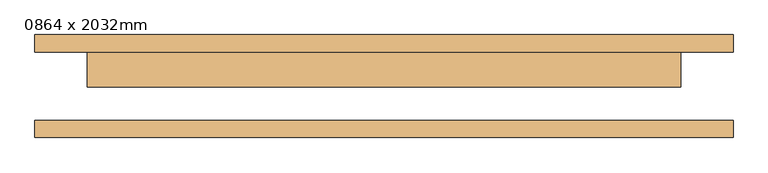
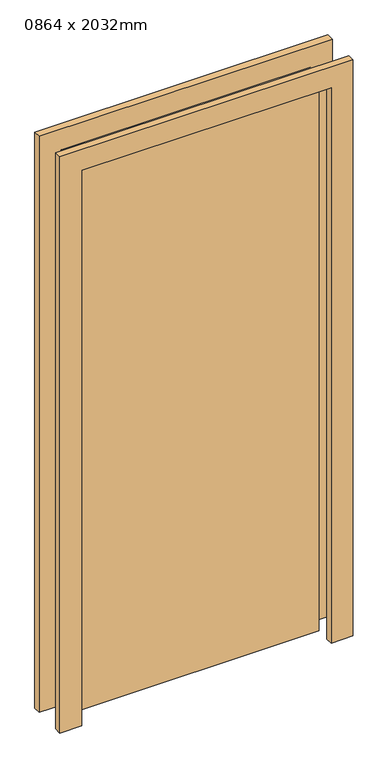
"""IFC4 building model written with IfcOpenShell, lengths in millimetres: door geometry, 0864 x 2032mm."""

from ifc_helpers import new_model, si_unit, frame, origin, origin_with_axes, place, context, project, spatial, polyline, outline, extrude, source, transform, mapped, element, save


def door_0864_x_2032mm_252f296b(model_context):
    return source(origin(), model_context, "Body", "SweptSolid", [
        extrude(outline(polyline([(2108.0, -508.0), (0.0, -508.0), (0.0, -432.0), (2032.0, -432.0), (2032.0, 432.0), (0.0, 432.0), (0.0, 508.0), (2108.0, 508.0), (2108.0, -508.0)])), frame((0.0, 50.0, 0.0), z_axis=(0.0, 1.0, 0.0), x_axis=(0.0, 0.0, 1.0)), (0.0, 0.0, 1.0), 25.0),
        extrude(outline(polyline([(2108.0, 508.0), (2108.0, -508.0), (0.0, -508.0), (0.0, -432.0), (2032.0, -432.0), (2032.0, 432.0), (0.0, 432.0), (0.0, 508.0), (2108.0, 508.0)])), frame((0.0, -75.0, 0.0), z_axis=(0.0, 1.0, 0.0), x_axis=(0.0, 0.0, 1.0)), (0.0, 0.0, 1.0), 25.0),
        extrude(outline(polyline([(432.0, -1.0), (-432.0, -1.0), (-432.0, 50.0), (432.0, 50.0), (432.0, -1.0)])), origin_with_axes(), (0.0, 0.0, 1.0), 2032.0),
    ])


if __name__ == "__main__":
    model = new_model("IFC4")
    model_context = context("Model", 3, world=origin())
    ifc_project = project(units=[si_unit("LENGTHUNIT", "METRE", prefix="MILLI")], contexts=[model_context])
    site = spatial("IfcSite", under=ifc_project)
    building = spatial("IfcBuilding", under=site)
    placement = place(None, origin())
    door_0864_x_2032mm_shape = door_0864_x_2032mm_252f296b(model_context)
    element("IfcDoor", 1, ObjectType="0864 x 2032mm", at=placement, inside=building, context=model_context, shape_type="MappedRepresentation", body=[
        mapped(door_0864_x_2032mm_shape, transform((0.0, 0.0, 0.0), x_axis=(1.0, 0.0, 0.0), y_axis=(0.0, 1.0, 0.0), z_axis=(0.0, 0.0, 1.0))),
    ])
    save(model, "model.ifc")
